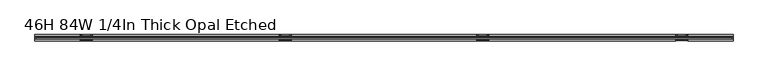
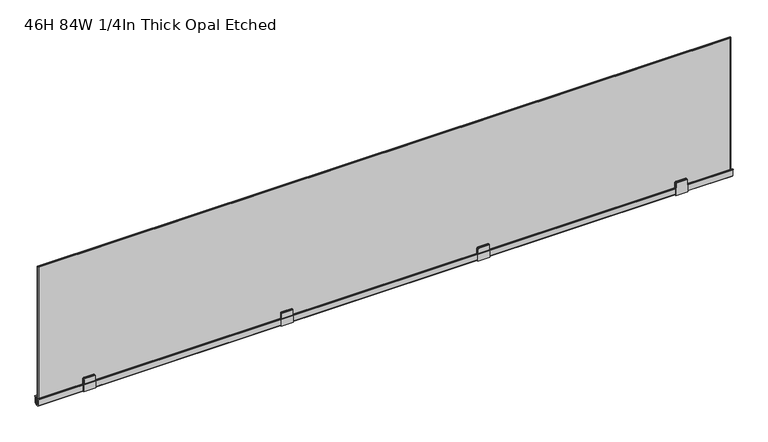
"""IFC4 building model written with IfcOpenShell, lengths in millimetres: furniture geometry, 46H 84W 1/4In Thick Opal Etched."""

from ifc_helpers import new_model, si_unit, frame, origin, place, context, project, spatial, polyline, outline, extrude, faceted_brep, source, transform, mapped, element, save


def furniture_46h_84w_1_4in_thick_opal_etched_b84b52ff(model_context):
    return source(origin(), model_context, "Body", "SolidModel", [
        faceted_brep([(1349.6403789, -8.4204378, 699.5087563), (1386.4336, -8.4204378, 699.5087563), (1386.4336, -8.4204378, 724.3465813), (1384.9095651, -8.4204378, 724.3465813), (1384.9095651, -8.4204378, 737.2932959), (1384.0309669, -8.4204378, 739.4143873), (1381.9098391, -8.4204378, 740.2930401), (1354.1641398, -8.4204378, 740.2930401), (1352.0430029, -8.4204378, 739.4143873), (1351.1644047, -8.4204378, 737.2932959), (1351.1644047, -8.4204378, 724.3465813), (1349.6403789, -8.4204378, 724.3465813), (1386.4336, 9.7469319, 699.5087563), (1349.6403789, 9.7469319, 699.5087563), (1349.6403789, 9.7469319, 724.3465813), (1351.1644047, 9.7469319, 724.3465813), (1351.1644047, 9.7469319, 737.2932959), (1352.0430029, 9.7469319, 739.4143873), (1354.1641398, 9.7469319, 740.2930401), (1381.9098391, 9.7469319, 740.2930401), (1384.0309669, 9.7469319, 739.4143873), (1384.9095651, 9.7469319, 737.2932959), (1384.9095651, 9.7469319, 724.3465813), (1386.4336, 9.7469319, 724.3465813), (1383.4338376, -5.8660005, 741.8170023), (1385.5549745, -5.8660005, 740.9384222), (1385.5549745, 5.8660005, 740.9384222), (1383.4338376, 5.8660005, 741.8170023), (1386.4336, -5.8660005, 738.8171923), (1386.4336, 5.8660005, 738.8171923), (1386.4336, 5.8660005, 724.3465813), (1386.4336, -5.8660005, 724.3465813), (1349.6403789, -5.8660005, 724.3465813), (1349.6403789, -5.8660005, 738.8171704), (1349.6403789, 5.8660005, 738.8171704), (1349.6403789, 5.8660005, 724.3465813), (1350.5190135, -5.8660005, 740.9384222), (1350.5190135, 5.8660005, 740.9384222), (1352.6401413, -5.8660005, 741.8170023), (1352.6401413, 5.8660005, 741.8170023), (1351.1644047, -5.8660005, 724.3465813), (1351.1644047, -5.8660005, 737.2932959), (1352.0430029, -5.8660005, 739.4143873), (1354.1641398, -5.8660005, 740.2930401), (1381.9098391, -5.8660005, 740.2930401), (1384.0309669, -5.8660005, 739.4143873), (1384.9095651, -5.8660005, 737.2932959), (1384.9095651, -5.8660005, 724.3465813), (1384.9095651, 5.8660005, 724.3465813), (1384.9095651, 5.8660005, 737.2932959), (1384.0309669, 5.8660005, 739.4143873), (1381.9098391, 5.8660005, 740.2930401), (1354.1641398, 5.8660005, 740.2930401), (1352.0430029, 5.8660005, 739.4143873), (1351.1644047, 5.8660005, 737.2932959), (1351.1644047, 5.8660005, 724.3465813)], [[[0, 1, 2, 3, 4, 5, 6, 7, 8, 9, 10, 11]], [[12, 13, 14, 15, 16, 17, 18, 19, 20, 21, 22, 23]], [[24, 25, 26, 27]], [[25, 28, 29, 26]], [[1, 12, 23, 30, 29, 28, 31, 2]], [[1, 0, 13, 12]], [[13, 0, 11, 32, 33, 34, 35, 14]], [[33, 36, 37, 34]], [[36, 38, 39, 37]], [[38, 24, 27, 39]], [[32, 40, 41, 42, 43, 44, 45, 46, 47, 31, 28, 25, 24, 38, 36, 33]], [[45, 44, 6, 5]], [[46, 45, 5, 4]], [[47, 46, 4, 3]], [[40, 32, 11, 10]], [[41, 40, 10, 9]], [[42, 41, 9, 8]], [[43, 42, 8, 7]], [[44, 43, 7, 6]], [[30, 48, 49, 50, 51, 52, 53, 54, 55, 35, 34, 37, 39, 27, 26, 29]], [[51, 50, 20, 19]], [[50, 49, 21, 20]], [[49, 48, 22, 21]], [[35, 55, 15, 14]], [[55, 54, 16, 15]], [[54, 53, 17, 16]], [[53, 52, 18, 17]], [[52, 51, 19, 18]], [[48, 30, 23, 22]], [[31, 47, 3, 2]]]),
        faceted_brep([(747.1664, -8.4204378, 699.5087563), (783.9596211, -8.4204378, 699.5087563), (783.9596211, -8.4204378, 724.3465813), (782.4355953, -8.4204378, 724.3465813), (782.4355953, -8.4204378, 737.2932959), (781.5569971, -8.4204378, 739.4143873), (779.4358602, -8.4204378, 740.2930401), (751.6901609, -8.4204378, 740.2930401), (749.5690331, -8.4204378, 739.4143873), (748.6904349, -8.4204378, 737.2932959), (748.6904349, -8.4204378, 724.3465813), (747.1664, -8.4204378, 724.3465813), (783.9596211, 9.7469319, 699.5087563), (747.1664, 9.7469319, 699.5087563), (747.1664, 9.7469319, 724.3465813), (748.6904349, 9.7469319, 724.3465813), (748.6904349, 9.7469319, 737.2932959), (749.5690331, 9.7469319, 739.4143873), (751.6901609, 9.7469319, 740.2930401), (779.4358602, 9.7469319, 740.2930401), (781.5569971, 9.7469319, 739.4143873), (782.4355953, 9.7469319, 737.2932959), (782.4355953, 9.7469319, 724.3465813), (783.9596211, 9.7469319, 724.3465813), (748.0450255, -5.8660005, 740.9384222), (750.1661624, -5.8660005, 741.8170023), (750.1661624, 5.8660005, 741.8170023), (748.0450255, 5.8660005, 740.9384222), (747.1664, -5.8660005, 738.8171923), (747.1664, 5.8660005, 738.8171923), (747.1664, -5.8660005, 724.3465813), (747.1664, 5.8660005, 724.3465813), (783.9596211, 5.8660005, 724.3465813), (783.9596211, 5.8660005, 738.8171704), (783.9596211, -5.8660005, 738.8171704), (783.9596211, -5.8660005, 724.3465813), (783.0809865, -5.8660005, 740.9384222), (783.0809865, 5.8660005, 740.9384222), (780.9598587, -5.8660005, 741.8170023), (780.9598587, 5.8660005, 741.8170023), (748.6904349, -5.8660005, 724.3465813), (748.6904349, -5.8660005, 737.2932959), (749.5690331, -5.8660005, 739.4143873), (751.6901609, -5.8660005, 740.2930401), (779.4358602, -5.8660005, 740.2930401), (781.5569971, -5.8660005, 739.4143873), (782.4355953, -5.8660005, 737.2932959), (782.4355953, -5.8660005, 724.3465813), (782.4355953, 5.8660005, 724.3465813), (782.4355953, 5.8660005, 737.2932959), (781.5569971, 5.8660005, 739.4143873), (779.4358602, 5.8660005, 740.2930401), (751.6901609, 5.8660005, 740.2930401), (749.5690331, 5.8660005, 739.4143873), (748.6904349, 5.8660005, 737.2932959), (748.6904349, 5.8660005, 724.3465813)], [[[0, 1, 2, 3, 4, 5, 6, 7, 8, 9, 10, 11]], [[12, 13, 14, 15, 16, 17, 18, 19, 20, 21, 22, 23]], [[24, 25, 26, 27]], [[28, 24, 27, 29]], [[13, 0, 11, 30, 28, 29, 31, 14]], [[1, 0, 13, 12]], [[1, 12, 23, 32, 33, 34, 35, 2]], [[36, 34, 33, 37]], [[38, 36, 37, 39]], [[25, 38, 39, 26]], [[30, 40, 41, 42, 43, 44, 45, 46, 47, 35, 34, 36, 38, 25, 24, 28]], [[43, 42, 8, 7]], [[42, 41, 9, 8]], [[41, 40, 10, 9]], [[35, 47, 3, 2]], [[47, 46, 4, 3]], [[46, 45, 5, 4]], [[45, 44, 6, 5]], [[44, 43, 7, 6]], [[32, 48, 49, 50, 51, 52, 53, 54, 55, 31, 29, 27, 26, 39, 37, 33]], [[53, 52, 18, 17]], [[54, 53, 17, 16]], [[55, 54, 16, 15]], [[48, 32, 23, 22]], [[49, 48, 22, 21]], [[50, 49, 21, 20]], [[51, 50, 20, 19]], [[52, 51, 19, 18]], [[31, 55, 15, 14]], [[40, 30, 11, 10]]]),
        faceted_brep([(1956.688987, -8.4204378, 699.5087563), (1993.4821082, -8.4204378, 699.5087563), (1993.4821082, -8.4204378, 724.3465813), (1991.9581824, -8.4204378, 724.3465813), (1991.9581824, -8.4204378, 737.2932959), (1991.0795841, -8.4204378, 739.4143873), (1988.9584472, -8.4204378, 740.2930401), (1961.212748, -8.4204378, 740.2930401), (1959.0916202, -8.4204378, 739.4143873), (1958.2130219, -8.4204378, 737.2932959), (1958.2130219, -8.4204378, 724.3465813), (1956.688987, -8.4204378, 724.3465813), (1993.4821082, 9.7469319, 699.5087563), (1956.688987, 9.7469319, 699.5087563), (1956.688987, 9.7469319, 724.3465813), (1958.2130219, 9.7469319, 724.3465813), (1958.2130219, 9.7469319, 737.2932959), (1959.0916202, 9.7469319, 739.4143873), (1961.212748, 9.7469319, 740.2930401), (1988.9584472, 9.7469319, 740.2930401), (1991.0795841, 9.7469319, 739.4143873), (1991.9581824, 9.7469319, 737.2932959), (1991.9581824, 9.7469319, 724.3465813), (1993.4821082, 9.7469319, 724.3465813), (1992.6035826, 5.8660005, 740.9384222), (1990.4824458, 5.8660005, 741.8170023), (1990.4824458, -5.8660005, 741.8170023), (1992.6035826, -5.8660005, 740.9384222), (1993.4821082, 5.8660005, 738.8174335), (1993.4821082, -5.8660005, 738.8174335), (1993.4821082, 5.8660005, 724.3465813), (1993.4821082, -5.8660005, 724.3465813), (1956.688987, -5.8660005, 724.3465813), (1956.688987, -5.8660005, 738.8171704), (1956.688987, 5.8660005, 738.8171704), (1956.688987, 5.8660005, 724.3465813), (1957.5676216, 5.8660005, 740.9384222), (1957.5676216, -5.8660005, 740.9384222), (1959.6887494, 5.8660005, 741.8170023), (1959.6887494, -5.8660005, 741.8170023), (1991.9581824, 5.8660005, 724.3465813), (1991.9581824, 5.8660005, 737.2932959), (1991.0795841, 5.8660005, 739.4143873), (1988.9584472, 5.8660005, 740.2930401), (1961.212748, 5.8660005, 740.2930401), (1959.0916202, 5.8660005, 739.4143873), (1958.2130219, 5.8660005, 737.2932959), (1958.2130219, 5.8660005, 724.3465813), (1958.2130219, -5.8660005, 724.3465813), (1958.2130219, -5.8660005, 737.2932959), (1959.0916202, -5.8660005, 739.4143873), (1961.212748, -5.8660005, 740.2930401), (1988.9584472, -5.8660005, 740.2930401), (1991.0795841, -5.8660005, 739.4143873), (1991.9581824, -5.8660005, 737.2932959), (1991.9581824, -5.8660005, 724.3465813)], [[[0, 1, 2, 3, 4, 5, 6, 7, 8, 9, 10, 11]], [[12, 13, 14, 15, 16, 17, 18, 19, 20, 21, 22, 23]], [[24, 25, 26, 27]], [[28, 24, 27, 29]], [[1, 12, 23, 30, 28, 29, 31, 2]], [[1, 0, 13, 12]], [[13, 0, 11, 32, 33, 34, 35, 14]], [[36, 34, 33, 37]], [[38, 36, 37, 39]], [[25, 38, 39, 26]], [[30, 40, 41, 42, 43, 44, 45, 46, 47, 35, 34, 36, 38, 25, 24, 28]], [[45, 44, 18, 17]], [[46, 45, 17, 16]], [[47, 46, 16, 15]], [[40, 30, 23, 22]], [[41, 40, 22, 21]], [[42, 41, 21, 20]], [[43, 42, 20, 19]], [[44, 43, 19, 18]], [[32, 48, 49, 50, 51, 52, 53, 54, 55, 31, 29, 27, 26, 39, 37, 33]], [[51, 50, 8, 7]], [[50, 49, 9, 8]], [[49, 48, 10, 9]], [[31, 55, 3, 2]], [[55, 54, 4, 3]], [[54, 53, 5, 4]], [[53, 52, 6, 5]], [[52, 51, 7, 6]], [[35, 47, 15, 14]], [[48, 32, 11, 10]]]),
        faceted_brep([(140.1178918, -8.4204378, 699.5087563), (176.911013, -8.4204378, 699.5087563), (176.911013, -8.4204378, 724.3465813), (175.3869781, -8.4204378, 724.3465813), (175.3869781, -8.4204378, 737.2932959), (174.5083798, -8.4204378, 739.4143873), (172.387252, -8.4204378, 740.2930401), (144.6415528, -8.4204378, 740.2930401), (142.5204159, -8.4204378, 739.4143873), (141.6418176, -8.4204378, 737.2932959), (141.6418176, -8.4204378, 724.3465813), (140.1178918, -8.4204378, 724.3465813), (176.911013, 9.7469319, 699.5087563), (140.1178918, 9.7469319, 699.5087563), (140.1178918, 9.7469319, 724.3465813), (141.6418176, 9.7469319, 724.3465813), (141.6418176, 9.7469319, 737.2932959), (142.5204159, 9.7469319, 739.4143873), (144.6415528, 9.7469319, 740.2930401), (172.387252, 9.7469319, 740.2930401), (174.5083798, 9.7469319, 739.4143873), (175.3869781, 9.7469319, 737.2932959), (175.3869781, 9.7469319, 724.3465813), (176.911013, 9.7469319, 724.3465813), (143.1175542, 5.8660005, 741.8170023), (140.9964174, 5.8660005, 740.9384222), (140.9964174, -5.8660005, 740.9384222), (143.1175542, -5.8660005, 741.8170023), (140.1178918, 5.8660005, 738.8174335), (140.1178918, -5.8660005, 738.8174335), (140.1178918, -5.8660005, 724.3465813), (140.1178918, 5.8660005, 724.3465813), (176.911013, 5.8660005, 724.3465813), (176.911013, 5.8660005, 738.8171703), (176.911013, -5.8660005, 738.8171703), (176.911013, -5.8660005, 724.3465813), (176.0323784, 5.8660005, 740.9384222), (176.0323784, -5.8660005, 740.9384222), (173.9112506, 5.8660005, 741.8170023), (173.9112506, -5.8660005, 741.8170023), (175.3869781, 5.8660005, 724.3465813), (175.3869781, 5.8660005, 737.2932959), (174.5083798, 5.8660005, 739.4143873), (172.387252, 5.8660005, 740.2930401), (144.6415528, 5.8660005, 740.2930401), (142.5204159, 5.8660005, 739.4143873), (141.6418176, 5.8660005, 737.2932959), (141.6418176, 5.8660005, 724.3465813), (141.6418176, -5.8660005, 724.3465813), (141.6418176, -5.8660005, 737.2932959), (142.5204159, -5.8660005, 739.4143873), (144.6415528, -5.8660005, 740.2930401), (172.387252, -5.8660005, 740.2930401), (174.5083798, -5.8660005, 739.4143873), (175.3869781, -5.8660005, 737.2932959), (175.3869781, -5.8660005, 724.3465813)], [[[0, 1, 2, 3, 4, 5, 6, 7, 8, 9, 10, 11]], [[12, 13, 14, 15, 16, 17, 18, 19, 20, 21, 22, 23]], [[24, 25, 26, 27]], [[25, 28, 29, 26]], [[13, 0, 11, 30, 29, 28, 31, 14]], [[1, 0, 13, 12]], [[1, 12, 23, 32, 33, 34, 35, 2]], [[33, 36, 37, 34]], [[36, 38, 39, 37]], [[38, 24, 27, 39]], [[32, 40, 41, 42, 43, 44, 45, 46, 47, 31, 28, 25, 24, 38, 36, 33]], [[43, 42, 20, 19]], [[42, 41, 21, 20]], [[41, 40, 22, 21]], [[31, 47, 15, 14]], [[47, 46, 16, 15]], [[46, 45, 17, 16]], [[45, 44, 18, 17]], [[44, 43, 19, 18]], [[30, 48, 49, 50, 51, 52, 53, 54, 55, 35, 34, 37, 39, 27, 26, 29]], [[53, 52, 6, 5]], [[54, 53, 5, 4]], [[55, 54, 4, 3]], [[48, 30, 11, 10]], [[49, 48, 10, 9]], [[50, 49, 9, 8]], [[51, 50, 8, 7]], [[52, 51, 7, 6]], [[40, 32, 23, 22]], [[35, 55, 3, 2]]]),
        faceted_brep([(1.5100945, 5.2173142, 724.4083265), (1.5100945, 9.7486737, 724.4083265), (1.5100945, 9.7486737, 723.1104406), (1.5100945, 6.8223596, 723.1104406), (1.5100945, 6.8223596, 702.6424536), (1.5100945, 5.8660005, 700.4912544), (1.5100945, 3.4354604, 699.5087563), (1.5100945, -3.445312, 699.5087563), (1.5100945, -5.8758524, 700.4912544), (1.5100945, -6.8223596, 702.6202931), (1.5100945, -6.8223596, 723.1104406), (1.5100945, -9.7486737, 723.1104406), (1.5100945, -9.7486737, 724.4083265), (1.5100945, -5.2173142, 724.4083265), (1.5100945, -5.2173142, 701.0073566), (1.5100945, 5.2173142, 701.0073566), (2132.0899055, 5.2173142, 724.4083265), (2132.0899055, 5.2173142, 701.0073566), (2132.0899055, -5.2173142, 701.0073566), (2132.0899055, -5.2173142, 724.4083265), (2132.0899055, -9.7486737, 724.4083265), (2132.0899055, -9.7486737, 723.1104406), (2132.0899055, -6.8223596, 723.1104406), (2132.0899055, -6.8223596, 702.6202931), (2132.0899055, -5.8758524, 700.4912544), (2132.0899055, -3.445312, 699.5087563), (2132.0899055, 3.4354604, 699.5087563), (2132.0899055, 5.8660005, 700.4912544), (2132.0899055, 6.8223596, 702.6424536), (2132.0899055, 6.8223596, 723.1104406), (2132.0899055, 9.7486737, 723.1104406), (2132.0899055, 9.7486737, 724.4083265), (1993.4821082, -5.8758524, 700.4912544), (1956.688987, -5.8660005, 700.487272), (1956.688987, -6.8223596, 702.6202931), (1993.4821082, -6.8223596, 702.6202931), (1956.688987, -6.8223596, 723.1104406), (1993.4821082, -6.8223596, 723.1104406), (1956.688987, -9.7486737, 723.1104406), (1993.4821082, -9.7486737, 723.1104406), (1956.688987, -9.7486737, 724.4083265), (1993.4821082, -9.7486737, 724.4083265), (1956.688987, -5.8660005, 724.4083265), (1958.2130219, -5.8660005, 724.4083265), (1991.9581824, -5.8660005, 724.4083265), (1993.4821082, -5.8660005, 724.4083265)], [[[0, 1, 2, 3, 4, 5, 6, 7, 8, 9, 10, 11, 12, 13, 14, 15]], [[16, 17, 18, 19, 20, 21, 22, 23, 24, 25, 26, 27, 28, 29, 30, 31]], [[1, 0, 16, 31]], [[2, 1, 31, 30]], [[3, 2, 30, 29]], [[4, 3, 29, 28]], [[5, 4, 28, 27]], [[6, 5, 27, 26]], [[7, 6, 26, 25]], [[8, 7, 25, 24, 32, 33]], [[9, 8, 33, 34]], [[24, 23, 35, 32]], [[10, 9, 34, 36]], [[23, 22, 37, 35]], [[11, 10, 36, 38]], [[22, 21, 39, 37]], [[12, 11, 38, 40]], [[21, 20, 41, 39]], [[13, 12, 40, 42, 43, 44, 45, 41, 20, 19]], [[14, 13, 19, 18]], [[15, 14, 18, 17]], [[0, 15, 17, 16]], [[42, 33, 32, 45, 44, 43]], [[45, 32, 35, 37, 39, 41]], [[33, 42, 40, 38, 36, 34]]]),
        faceted_brep([(4.2643143, 1.1430002, 1148.6823543), (6.2963124, 3.175, 1146.6503563), (6.2963124, 3.175, 703.184622), (4.2643143, 1.1430002, 701.1526239), (4.2643143, -1.1395829, 1148.6823543), (4.2643143, -1.1395829, 701.1526239), (6.2963124, -3.1715827, 1146.6503563), (6.2963124, -3.1715827, 703.184622), (2127.2775551, 3.175, 703.184622), (2129.3095532, 1.1430002, 701.1526239), (2129.3095532, -1.1395829, 701.1526239), (2127.2775551, -3.1715827, 703.184622), (2127.2775551, 3.175, 1146.6503563), (2129.3095532, 1.1430002, 1148.6823543), (2129.3095532, -1.1395829, 1148.6823543), (2127.2775551, -3.1715827, 1146.6503563)], [[[0, 1, 2, 3]], [[4, 0, 3, 5]], [[6, 4, 5, 7]], [[1, 6, 7, 2]], [[3, 2, 8, 9]], [[5, 3, 9, 10]], [[7, 5, 10, 11]], [[2, 7, 11, 8]], [[9, 8, 12, 13]], [[10, 9, 13, 14]], [[11, 10, 14, 15]], [[8, 11, 15, 12]], [[13, 12, 1, 0]], [[14, 13, 0, 4]], [[15, 14, 4, 6]], [[12, 15, 6, 1]]]),
        extrude(outline(polyline([(2127.2775551, -3.175), (6.2963124, -3.175), (6.2963124, 3.175), (2127.2775551, 3.175), (2127.2775551, -3.175)])), frame((0.0, 0.0, 703.184622), z_axis=(0.0, 0.0, 1.0), x_axis=(1.0, 0.0, 0.0)), (0.0, 0.0, 1.0), 443.4657343),
    ])


if __name__ == "__main__":
    model = new_model("IFC4")
    model_context = context("Model", 3, world=origin())
    ifc_project = project(units=[si_unit("LENGTHUNIT", "METRE", prefix="MILLI")], contexts=[model_context])
    site = spatial("IfcSite", under=ifc_project)
    building = spatial("IfcBuilding", under=site)
    placement = place(None, origin())
    furniture_46h_84w_1_4in_thick_opal_etched_shape = furniture_46h_84w_1_4in_thick_opal_etched_b84b52ff(model_context)
    element("IfcFurniture", 1, ObjectType="46H 84W 1/4In Thick Opal Etched", at=placement, inside=building, context=model_context, shape_type="MappedRepresentation", body=[
        mapped(furniture_46h_84w_1_4in_thick_opal_etched_shape, transform((0.0, 0.0, 0.0), x_axis=(1.0, 0.0, 0.0), y_axis=(0.0, 1.0, 0.0), z_axis=(0.0, 0.0, 1.0))),
    ])
    save(model, "model.ifc")
